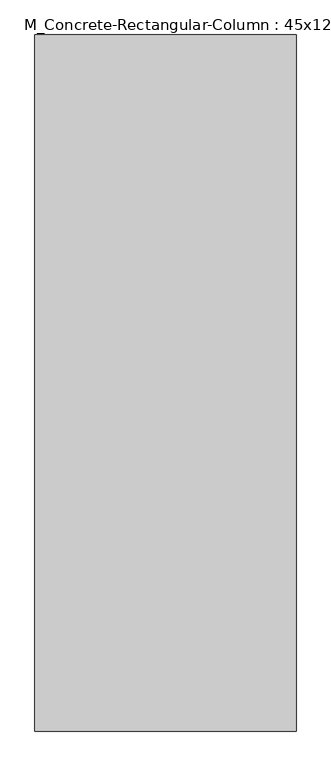
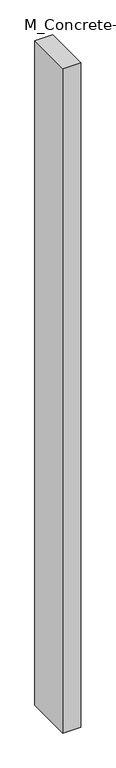
"""IFC4 building model written with IfcOpenShell, lengths in millimetres: column geometry, M_Concrete-Rectangular-Column : 45x120."""

from ifc_helpers import new_model, si_unit, origin, origin_with_axes, place, context, project, spatial, polyline, outline, extrude, source, transform, mapped, element, save


def m_concrete_rectangular_column_45x120_320baac8(model_context):
    return source(origin(), model_context, "Body", "SweptSolid", [
        extrude(outline(polyline([(225.0, 600.0), (225.0, -600.0), (-225.0, -600.0), (-225.0, 600.0), (225.0, 600.0)])), origin_with_axes(), (0.0, 0.0, 1.0), 17500.0),
    ])


if __name__ == "__main__":
    model = new_model("IFC4")
    model_context = context("Model", 3, world=origin())
    ifc_project = project(units=[si_unit("LENGTHUNIT", "METRE", prefix="MILLI")], contexts=[model_context])
    site = spatial("IfcSite", under=ifc_project)
    building = spatial("IfcBuilding", under=site)
    placement = place(None, origin())
    m_concrete_rectangular_column_45x120_shape = m_concrete_rectangular_column_45x120_320baac8(model_context)
    element("IfcColumn", 1, ObjectType="M_Concrete-Rectangular-Column : 45x120", at=placement, inside=building, context=model_context, shape_type="MappedRepresentation", body=[
        mapped(m_concrete_rectangular_column_45x120_shape, transform((0.0, 0.0, 0.0), x_axis=(1.0, 0.0, 0.0), y_axis=(0.0, 1.0, 0.0), z_axis=(0.0, 0.0, 1.0))),
    ])
    save(model, "model.ifc")
